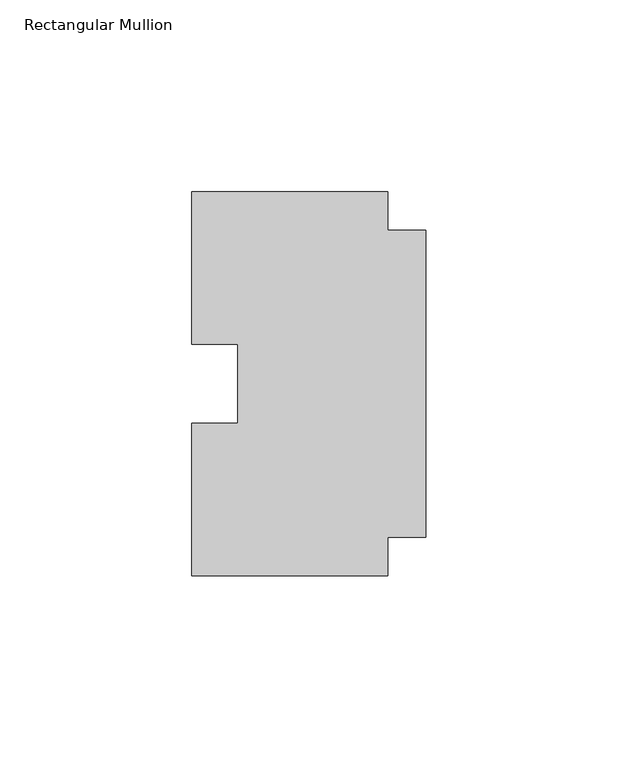
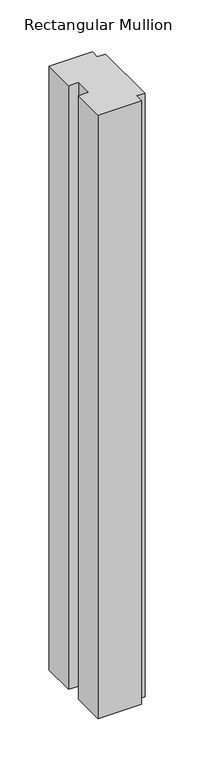
"""IFC4 building model written with IfcOpenShell, lengths in millimetres: member geometry, Rectangular Mullion."""

from ifc_helpers import new_model, si_unit, frame, origin, place, context, project, spatial, polyline, outline, extrude, source, transform, mapped, element, save


def rectangular_mullion_91ed7283(model_context):
    return source(origin(), model_context, "Body", "SweptSolid", [
        extrude(outline(polyline([(-10.0, 40.0), (0.0, 40.0), (0.0, -40.0), (-10.0, -40.0), (-10.0, -50.0), (-61.0, -50.0), (-61.0, -10.25), (-49.0, -10.25), (-49.0, 10.25), (-61.0, 10.25), (-61.0, 50.0), (-10.0, 50.0), (-10.0, 40.0)])), frame((0.0, 0.0, -750.0000003), z_axis=(0.0, 0.0, 1.0), x_axis=(1.0, 0.0, 0.0)), (0.0, 0.0, 1.0), 750.0000003),
    ])


if __name__ == "__main__":
    model = new_model("IFC4")
    model_context = context("Model", 3, world=origin())
    ifc_project = project(units=[si_unit("LENGTHUNIT", "METRE", prefix="MILLI")], contexts=[model_context])
    site = spatial("IfcSite", under=ifc_project)
    building = spatial("IfcBuilding", under=site)
    placement = place(None, origin())
    rectangular_mullion_shape = rectangular_mullion_91ed7283(model_context)
    element("IfcMember", 1, ObjectType="Rectangular Mullion", at=placement, inside=building, context=model_context, shape_type="MappedRepresentation", body=[
        mapped(rectangular_mullion_shape, transform((0.0, 0.0, 0.0), x_axis=(1.0, 0.0, 0.0), y_axis=(0.0, 1.0, 0.0), z_axis=(0.0, 0.0, 1.0))),
    ])
    save(model, "model.ifc")
